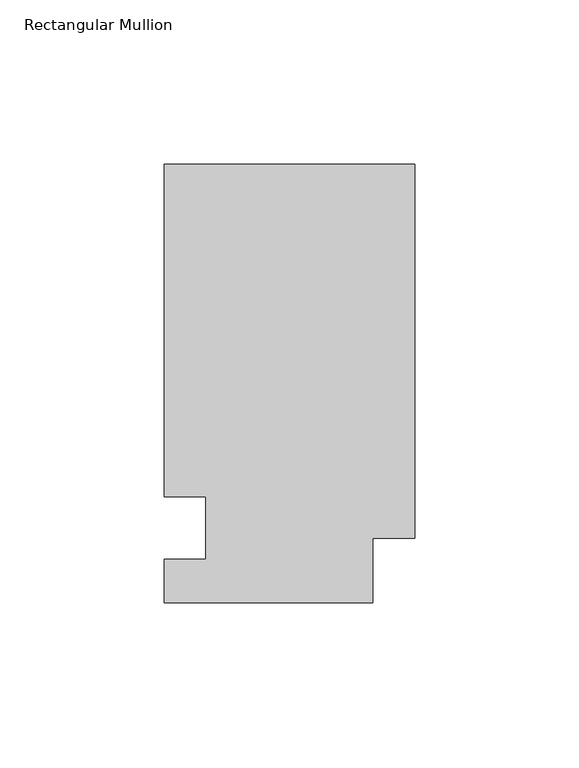
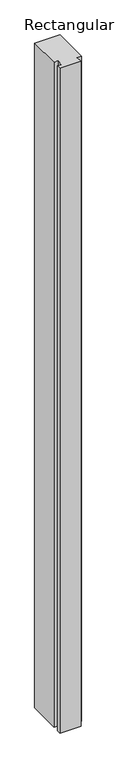
"""IFC4 building model written with IfcOpenShell, lengths in millimetres: member geometry, Rectangular Mullion."""

from ifc_helpers import new_model, si_unit, frame, origin, place, context, project, spatial, polyline, outline, extrude, source, transform, mapped, element, save


def rectangular_mullion_38c50745(model_context):
    return source(origin(), model_context, "Body", "SweptSolid", [
        extrude(outline(polyline([(0.0, 133.4396937), (0.0, 19.5460937), (-12.7, 19.5460937), (-12.7, 0.0134937), (-76.2, 0.0134937), (-76.2, 13.1960937), (-63.5, 13.1960937), (-63.5, 32.2460938), (-76.2, 32.2460937), (-76.2, 133.4396937), (0.0, 133.4396937)])), frame((0.0, 0.0, -2133.6), z_axis=(0.0, 0.0, 1.0), x_axis=(1.0, 0.0, 0.0)), (0.0, 0.0, 1.0), 2133.6),
    ])


if __name__ == "__main__":
    model = new_model("IFC4")
    model_context = context("Model", 3, world=origin())
    ifc_project = project(units=[si_unit("LENGTHUNIT", "METRE", prefix="MILLI")], contexts=[model_context])
    site = spatial("IfcSite", under=ifc_project)
    building = spatial("IfcBuilding", under=site)
    placement = place(None, origin())
    rectangular_mullion_shape = rectangular_mullion_38c50745(model_context)
    element("IfcMember", 1, ObjectType="Rectangular Mullion", at=placement, inside=building, context=model_context, shape_type="MappedRepresentation", body=[
        mapped(rectangular_mullion_shape, transform((0.0, 0.0, 0.0), x_axis=(1.0, 0.0, 0.0), y_axis=(0.0, 1.0, 0.0), z_axis=(0.0, 0.0, 1.0))),
    ])
    save(model, "model.ifc")
